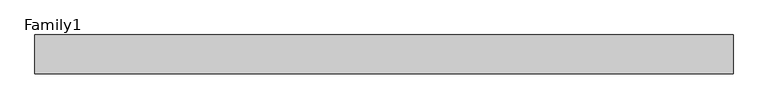
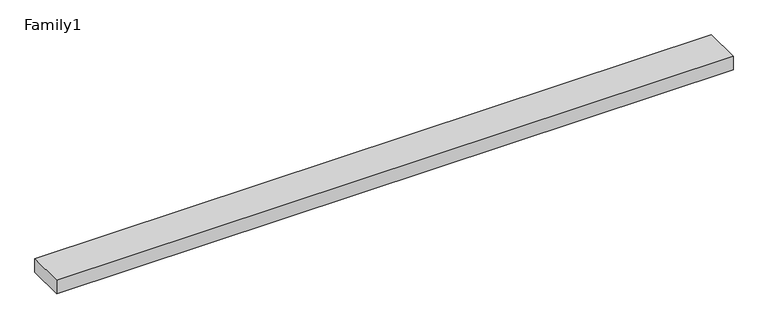
"""IFC4 building model written with IfcOpenShell, lengths in millimetres: proxy geometry, Family1."""

from ifc_helpers import new_model, si_unit, origin, origin_with_axes, place, context, project, spatial, polyline, outline, extrude, source, transform, mapped, element, save


def family1_3361e029(model_context):
    return source(origin(), model_context, "Body", "SweptSolid", [
        extrude(outline(polyline([(90000.0, 0.0), (0.0, 0.0), (0.0, 5000.0), (90000.0, 5000.0), (90000.0, 0.0)])), origin_with_axes(), (0.0, 0.0, 1.0), 1847.0),
    ])


if __name__ == "__main__":
    model = new_model("IFC4")
    model_context = context("Model", 3, world=origin())
    ifc_project = project(units=[si_unit("LENGTHUNIT", "METRE", prefix="MILLI")], contexts=[model_context])
    site = spatial("IfcSite", under=ifc_project)
    building = spatial("IfcBuilding", under=site)
    placement = place(None, origin())
    family1_shape = family1_3361e029(model_context)
    element("IfcBuildingElementProxy", 1, Name="Family1", ObjectType="Family1", at=placement, inside=building, context=model_context, shape_type="MappedRepresentation", body=[
        mapped(family1_shape, transform((0.0, 0.0, 0.0), x_axis=(1.0, 0.0, 0.0), y_axis=(0.0, 1.0, 0.0), z_axis=(0.0, 0.0, 1.0))),
    ])
    save(model, "model.ifc")
